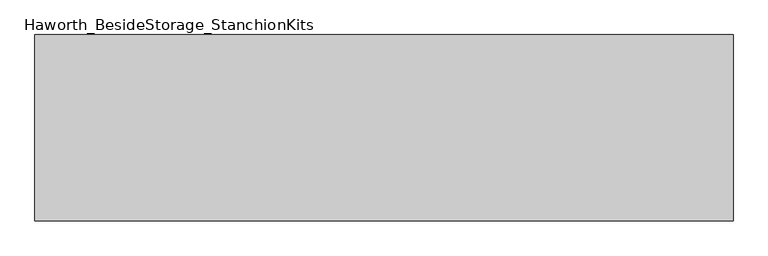
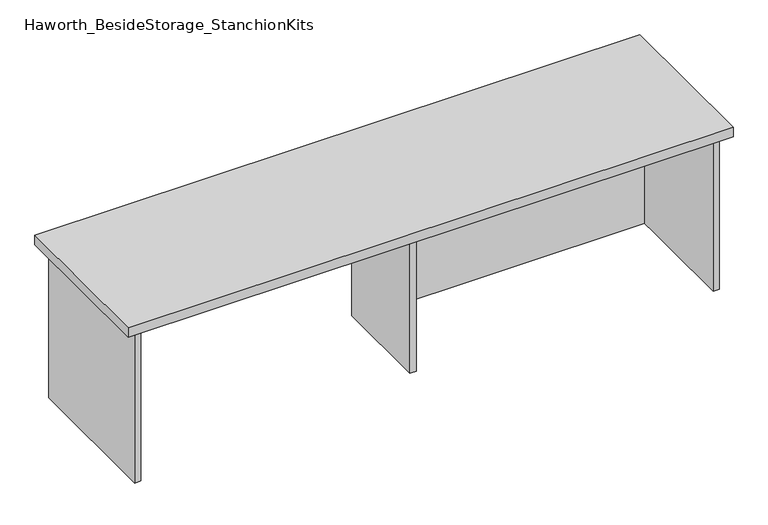
"""IFC4 building model written with IfcOpenShell, lengths in millimetres: furniture geometry, Haworth_BesideStorage_StanchionKits."""

from ifc_helpers import new_model, si_unit, frame, origin, place, context, project, spatial, polyline, outline, extrude, source, transform, mapped, element, save


def haworth_besidestorage_stanchionkits_84d1afb1(model_context):
    return source(origin(), model_context, "Body", "SweptSolid", [
        extrude(outline(polyline([(923.925, 0.0), (923.925, -406.4), (-600.075, -406.4), (-600.075, 0.0), (923.925, 0.0)])), frame((0.0, 0.0, 838.2), z_axis=(0.0, 0.0, 1.0), x_axis=(1.0, 0.0, 0.0)), (0.0, 0.0, 1.0), 25.4),
        extrude(outline(polyline([(169.8625, -76.2), (882.65, -76.2), (882.65, -92.075), (169.8625, -92.075), (169.8625, -76.2)])), frame((0.0, 0.0, 431.8), z_axis=(0.0, 0.0, 1.0), x_axis=(1.0, 0.0, 0.0)), (0.0, 0.0, 1.0), 406.4),
        extrude(outline(polyline([(169.8625, -330.2), (153.9875, -330.2), (153.9875, -76.2), (169.8625, -76.2), (169.8625, -330.2)])), frame((0.0, 0.0, 431.8), z_axis=(0.0, 0.0, 1.0), x_axis=(1.0, 0.0, 0.0)), (0.0, 0.0, 1.0), 406.4),
        extrude(outline(polyline([(898.525, -390.525), (882.65, -390.525), (882.65, -15.875), (898.525, -15.875), (898.525, -390.525)])), frame((0.0, 0.0, 431.8), z_axis=(0.0, 0.0, 1.0), x_axis=(1.0, 0.0, 0.0)), (0.0, 0.0, 1.0), 406.4),
        extrude(outline(polyline([(-558.8, -390.525), (-574.675, -390.525), (-574.675, -15.875), (-558.8, -15.875), (-558.8, -390.525)])), frame((0.0, 0.0, 431.8), z_axis=(0.0, 0.0, 1.0), x_axis=(1.0, 0.0, 0.0)), (0.0, 0.0, 1.0), 406.4),
    ])


if __name__ == "__main__":
    model = new_model("IFC4")
    model_context = context("Model", 3, world=origin())
    ifc_project = project(units=[si_unit("LENGTHUNIT", "METRE", prefix="MILLI")], contexts=[model_context])
    site = spatial("IfcSite", under=ifc_project)
    building = spatial("IfcBuilding", under=site)
    placement = place(None, origin())
    haworth_besidestorage_stanchionkits_shape = haworth_besidestorage_stanchionkits_84d1afb1(model_context)
    element("IfcFurniture", 1, ObjectType="Haworth_BesideStorage_StanchionKits", at=placement, inside=building, context=model_context, shape_type="MappedRepresentation", body=[
        mapped(haworth_besidestorage_stanchionkits_shape, transform((0.0, 0.0, 0.0), x_axis=(1.0, 0.0, 0.0), y_axis=(0.0, 1.0, 0.0), z_axis=(0.0, 0.0, 1.0))),
    ])
    save(model, "model.ifc")
